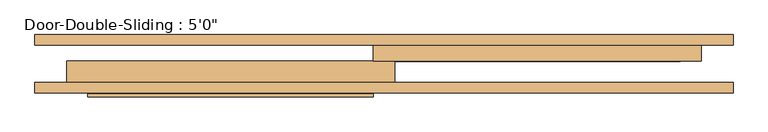
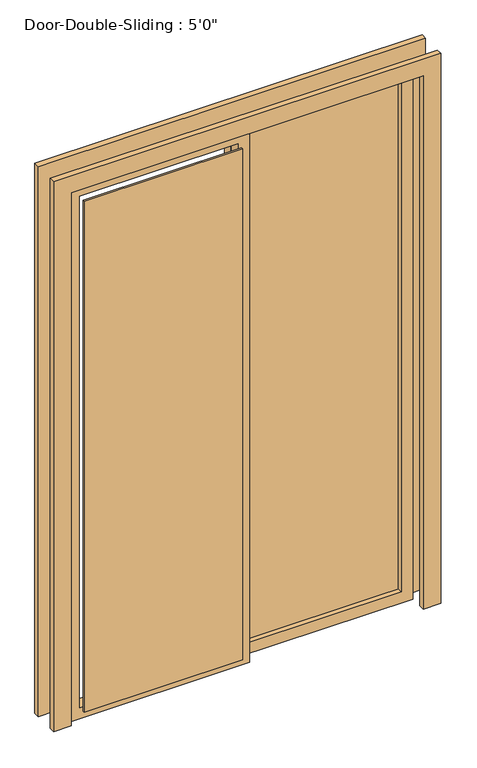
"""IFC4 building model written with IfcOpenShell, lengths in millimetres: door geometry."""

from ifc_helpers import new_model, si_unit, frame, origin, place, context, project, spatial, polyline, outline, extrude, source, transform, mapped, element, save


def door_40d5f9cc(model_context):
    return source(origin(), model_context, "Body", "SweptSolid", [
        extrude(outline(polyline([(2438.4, -25.4), (0.0, -25.4), (0.0, 762.0), (2438.4, 762.0), (2438.4, -25.4)]), holes=[polyline([(2387.6, 25.4), (2387.6, 711.2), (50.8, 711.2), (50.8, 25.4), (2387.6, 25.4)])]), frame((0.0, -120.65, 0.0), z_axis=(0.0, 1.0, 0.0), x_axis=(0.0, 0.0, 1.0)), (0.0, 0.0, 1.0), 50.8),
        extrude(outline(polyline([(2438.4, 25.4), (2438.4, -762.0), (0.0, -762.0), (0.0, 25.4), (2438.4, 25.4)]), holes=[polyline([(2387.6, -25.4), (50.8, -25.4), (50.8, -711.2), (2387.6, -711.2), (2387.6, -25.4)])]), frame((0.0, -171.45, 0.0), z_axis=(0.0, 1.0, 0.0), x_axis=(0.0, 0.0, 1.0)), (0.0, 0.0, 1.0), 50.8),
        extrude(outline(polyline([(0.0, -838.2), (0.0, -762.0), (2438.4, -762.0), (2438.4, 762.0), (0.0, 762.0), (0.0, 838.2), (2514.6, 838.2), (2514.6, -838.2), (0.0, -838.2)])), frame((0.0, -82.55, 0.0), z_axis=(0.0, 1.0, 0.0), x_axis=(0.0, 0.0, 1.0)), (0.0, 0.0, 1.0), 25.4),
        extrude(outline(polyline([(0.0, 838.2), (2514.6, 838.2), (2514.6, -838.2), (0.0, -838.2), (0.0, -762.0), (2438.4, -762.0), (2438.4, 762.0), (0.0, 762.0), (0.0, 838.2)])), frame((0.0, -196.85, 0.0), z_axis=(0.0, 1.0, 0.0), x_axis=(0.0, 0.0, 1.0)), (0.0, 0.0, 1.0), 25.4),
        extrude(outline(polyline([(25.4, -98.425), (25.4, -92.075), (711.2, -92.075), (711.2, -98.425), (25.4, -98.425)])), frame((0.0, 0.0, 50.8), z_axis=(0.0, 0.0, 1.0), x_axis=(1.0, 0.0, 0.0)), (0.0, 0.0, 1.0), 2336.8),
        extrude(outline(polyline([(-25.4, -200.025), (-25.4, -206.375), (-711.2, -206.375), (-711.2, -200.025), (-25.4, -200.025)])), frame((0.0, 0.0, 50.8), z_axis=(0.0, 0.0, 1.0), x_axis=(1.0, 0.0, 0.0)), (0.0, 0.0, 1.0), 2336.8),
    ])


if __name__ == "__main__":
    model = new_model("IFC4")
    model_context = context("Model", 3, world=origin())
    ifc_project = project(units=[si_unit("LENGTHUNIT", "METRE", prefix="MILLI")], contexts=[model_context])
    site = spatial("IfcSite", under=ifc_project)
    building = spatial("IfcBuilding", under=site)
    placement = place(None, origin())
    door_shape = door_40d5f9cc(model_context)
    element("IfcDoor", 1, ObjectType="Door-Double-Sliding : 5'0\"", at=placement, inside=building, context=model_context, shape_type="MappedRepresentation", body=[
        mapped(door_shape, transform((0.0, 0.0, 0.0), x_axis=(1.0, 0.0, 0.0), y_axis=(0.0, 1.0, 0.0), z_axis=(0.0, 0.0, 1.0))),
    ])
    save(model, "model.ifc")
